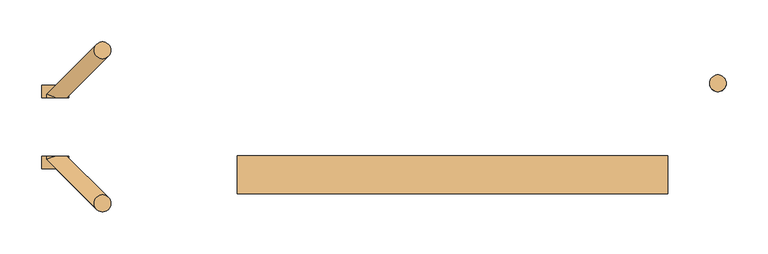
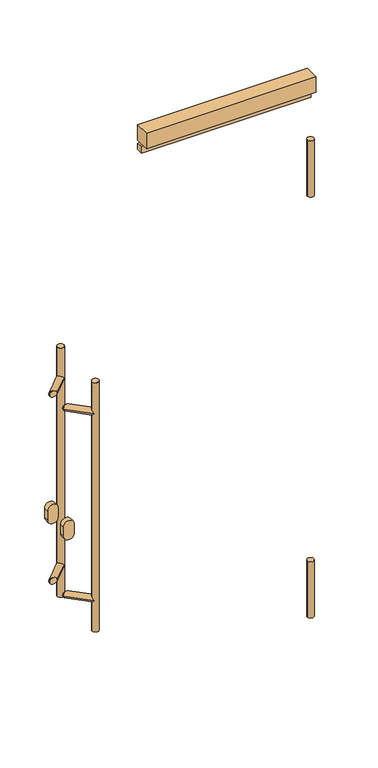
"""IFC4 building model written with IfcOpenShell, lengths in millimetres: door geometry."""

from ifc_helpers import new_model, si_unit, point, frame, frame_2d, origin, place, context, project, spatial, polyline, circle_curve, ellipse_curve, trimmed, segment, composite_curve, outline, extrude, source, transform, mapped, element, save
from ifc_brep_helpers import plane_surface, cylinder_surface, advanced_brep


def door_909c1bb0(model_context):
    return source(origin(), model_context, "Body", "SolidModel", [
        extrude(outline(polyline([(-635.0, -70.0), (-120.0, -70.0), (-120.0, -115.0), (-635.0, -115.0), (-635.0, -70.0)])), frame((0.0, 0.0, 2081.0), z_axis=(0.0, 0.0, 1.0), x_axis=(1.0, 0.0, 0.0)), (0.0, 0.0, 1.0), 50.0),
        extrude(outline(polyline([(-635.0, -70.0), (-120.0, -70.0), (-120.0, -90.0), (-635.0, -90.0), (-635.0, -70.0)])), frame((0.0, 0.0, 2051.0), z_axis=(0.0, 0.0, 1.0), x_axis=(1.0, 0.0, 0.0)), (0.0, 0.0, 1.0), 20.0),
        advanced_brep(
        [(-806.4314575, 56.5685425, 1400.0), (-786.4314575, 56.5685425, 1400.0), (-806.4314575, 56.5685425, 600.0), (-786.4314575, 56.5685425, 600.0), (-806.4314575, 56.5685425, 1307.0710678), (-789.3603897, 49.4974747, 1300.0), (-806.4314575, 56.5685425, 1292.9289322), (-806.4314575, 56.5685425, 707.0710678), (-789.3603897, 49.4974747, 700.0), (-806.4314575, 56.5685425, 692.9289322), (-803.5025253, 63.6396103, 700.0), (-803.5025253, 63.6396103, 1300.0), (-853.0, 0.0, 710.0), (-863.0, 4.1421356, 700.0), (-863.0, 0.0, 700.0), (-853.0, 0.0, 690.0), (-838.8578644, 0.0, 700.0), (-853.0, 0.0, 1310.0), (-863.0, 4.1421356, 1300.0), (-863.0, 0.0, 1300.0), (-853.0, 0.0, 1290.0), (-838.8578644, 0.0, 1300.0)],
        [
            (0, 1, circle_curve(frame((-796.4314575, 56.5685425, 1400.0), z_axis=(0.0, 0.0, 1.0), x_axis=(1.0, 0.0, 0.0)), 10.0)),
            (1, 0, circle_curve(frame((-796.4314575, 56.5685425, 1400.0), z_axis=(0.0, 0.0, 1.0), x_axis=(1.0, 0.0, 0.0)), 10.0)),
            (2, 3, circle_curve(frame((-796.4314575, 56.5685425, 600.0), z_axis=(0.0, 0.0, -1.0), x_axis=(1.0, 0.0, 0.0)), 10.0)),
            (3, 2, circle_curve(frame((-796.4314575, 56.5685425, 600.0), z_axis=(0.0, 0.0, -1.0), x_axis=(1.0, 0.0, 0.0)), 10.0)),
            (0, 4),
            (4, 5, ellipse_curve(frame((-796.4314575, 56.5685425, 1300.0), z_axis=(0.5000000000000111, 0.4999999999999866, 0.707106781186549), x_axis=(-0.5000000000000154, -0.49999999999998657, 0.707106781186546)), 14.1421356, 10.0)),
            (5, 6, ellipse_curve(frame((-796.4314575, 56.5685425, 1300.0), z_axis=(0.5000000000000155, 0.4999999999999866, -0.7071067811865459), x_axis=(0.5000000000000111, 0.4999999999999866, 0.7071067811865491)), 14.1421356, 10.0)),
            (6, 7),
            (7, 8, ellipse_curve(frame((-796.4314575, 56.5685425, 700.0), z_axis=(0.5000000000000111, 0.4999999999999866, 0.707106781186549), x_axis=(-0.5000000000000154, -0.49999999999998657, 0.707106781186546)), 14.1421356, 10.0)),
            (8, 9, ellipse_curve(frame((-796.4314575, 56.5685425, 700.0), z_axis=(0.5000000000000155, 0.4999999999999866, -0.7071067811865459), x_axis=(0.5000000000000111, 0.4999999999999866, 0.7071067811865491)), 14.1421356, 10.0)),
            (9, 2),
            (3, 1),
            (9, 10, ellipse_curve(frame((-796.4314575, 56.5685425, 700.0), z_axis=(0.5000000000000155, 0.4999999999999866, -0.7071067811865459), x_axis=(0.5000000000000111, 0.4999999999999866, 0.7071067811865491)), 14.1421356, 10.0)),
            (10, 7, ellipse_curve(frame((-796.4314575, 56.5685425, 700.0), z_axis=(0.5000000000000111, 0.4999999999999866, 0.707106781186549), x_axis=(-0.5000000000000154, -0.49999999999998657, 0.707106781186546)), 14.1421356, 10.0)),
            (6, 11, ellipse_curve(frame((-796.4314575, 56.5685425, 1300.0), z_axis=(0.5000000000000155, 0.4999999999999866, -0.7071067811865459), x_axis=(0.5000000000000111, 0.4999999999999866, 0.7071067811865491)), 14.1421356, 10.0)),
            (11, 4, ellipse_curve(frame((-796.4314575, 56.5685425, 1300.0), z_axis=(0.5000000000000111, 0.4999999999999866, 0.707106781186549), x_axis=(-0.5000000000000154, -0.49999999999998657, 0.707106781186546)), 14.1421356, 10.0)),
            (12, 13, ellipse_curve(frame((-853.0, 0.0, 700.0), z_axis=(-0.38268343236510205, -0.9238795325112816, 0.0), x_axis=(0.9238795325112815, -0.38268343236510216, 0.0)), 10.823922, 10.0)),
            (13, 14),
            (14, 12, circle_curve(frame((-853.0, 0.0, 700.0), z_axis=(0.0, 1.0, 0.0), x_axis=(-1.0, 0.0, 0.0)), 10.0)),
            (13, 15, ellipse_curve(frame((-853.0, 0.0, 700.0), z_axis=(-0.38268343236510205, -0.9238795325112816, 0.0), x_axis=(0.9238795325112815, -0.38268343236510216, 0.0)), 10.823922, 10.0)),
            (15, 14, circle_curve(frame((-853.0, 0.0, 700.0), z_axis=(0.0, 1.0, 0.0), x_axis=(-1.0, 0.0, 0.0)), 10.0)),
            (10, 13),
            (12, 16, ellipse_curve(frame((-853.0, 0.0, 700.0), z_axis=(0.0, 1.0, 0.0), x_axis=(-1.0, 0.0, 0.0)), 14.1421356, 10.0)),
            (16, 8),
            (16, 15, ellipse_curve(frame((-853.0, 0.0, 700.0), z_axis=(0.0, 1.0, 0.0), x_axis=(-1.0, 0.0, 0.0)), 14.1421356, 10.0)),
            (17, 18, ellipse_curve(frame((-853.0, 0.0, 1300.0), z_axis=(-0.38268343236510205, -0.9238795325112816, 0.0), x_axis=(0.9238795325112815, -0.38268343236510216, 0.0)), 10.823922, 10.0)),
            (18, 19),
            (19, 17, circle_curve(frame((-853.0, 0.0, 1300.0), z_axis=(0.0, 1.0, 0.0), x_axis=(-1.0, 0.0, 0.0)), 10.0)),
            (18, 20, ellipse_curve(frame((-853.0, 0.0, 1300.0), z_axis=(-0.38268343236510205, -0.9238795325112816, 0.0), x_axis=(0.9238795325112815, -0.38268343236510216, 0.0)), 10.823922, 10.0)),
            (20, 19, circle_curve(frame((-853.0, 0.0, 1300.0), z_axis=(0.0, 1.0, 0.0), x_axis=(-1.0, 0.0, 0.0)), 10.0)),
            (11, 18),
            (17, 21, ellipse_curve(frame((-853.0, 0.0, 1300.0), z_axis=(0.0, 1.0, 0.0), x_axis=(-1.0, 0.0, 0.0)), 14.1421356, 10.0)),
            (21, 5),
            (21, 20, ellipse_curve(frame((-853.0, 0.0, 1300.0), z_axis=(0.0, 1.0, 0.0), x_axis=(-1.0, 0.0, 0.0)), 14.1421356, 10.0)),
        ],
        [
            plane_surface(frame((-786.4314575, 56.5685425, 1400.0), z_axis=(0.0, 0.0, 1.0), x_axis=(0.0, 1.0, 0.0))),
            plane_surface(frame((-786.4314575, 56.5685425, 600.0), z_axis=(0.0, 0.0, -1.0), x_axis=(0.0, -1.0, 0.0))),
            cylinder_surface(frame((-796.4314575, 56.5685425, 600.0), z_axis=(0.0, 0.0, 1.0), x_axis=(1.0, 0.0, 0.0)), 10.0),
            cylinder_surface(frame((-853.0, -70.0, 700.0), z_axis=(0.0, -1.0, 0.0), x_axis=(-1.0, 0.0, 0.0)), 10.0),
            cylinder_surface(frame((-853.0, 0.0, 700.0), z_axis=(-0.7071067811865664, -0.7071067811865287, 0.0), x_axis=(-0.7071067811865287, 0.7071067811865664, 0.0)), 10.0),
            cylinder_surface(frame((-853.0, -70.0, 1300.0), z_axis=(0.0, -1.0, 0.0), x_axis=(-1.0, 0.0, 0.0)), 10.0),
            cylinder_surface(frame((-853.0, 0.0, 1300.0), z_axis=(-0.7071067811865664, -0.7071067811865287, 0.0), x_axis=(-0.7071067811865287, 0.7071067811865664, 0.0)), 10.0),
            plane_surface(frame((-883.0, 0.0, 650.0), z_axis=(0.0, -1.0, 0.0), x_axis=(0.0, 0.0, 1.0))),
        ],
        [
            (0, [[1, 2]]),
            (1, [[3, 4]]),
            (2, [[-1, 5, 6, 7, 8, 9, 10, 11, -4, 12]]),
            (2, [[-2, -12, -3, -11, 13, 14, -8, 15, 16, -5]]),
            (3, [[17, 18, 19]]),
            (3, [[-18, 20, 21]]),
            (4, [[22, -17, 23, 24, -9, -14]]),
            (4, [[-22, -13, -10, -24, 25, -20]]),
            (5, [[26, 27, 28]]),
            (5, [[-27, 29, 30]]),
            (6, [[31, -26, 32, 33, -6, -16]]),
            (6, [[-31, -15, -7, -33, 34, -29]]),
            (7, [[-19, -21, -25, -23]]),
            (7, [[-28, -30, -34, -32]]),
        ],
    ),
        advanced_brep(
        [(-806.4314575, -126.5685425, 1400.0), (-786.4314575, -126.5685425, 1400.0), (-806.4314575, -126.5685425, 600.0), (-786.4314575, -126.5685425, 600.0), (-806.4314575, -126.5685425, 1307.0710678), (-803.5025253, -133.6396103, 1300.0), (-806.4314575, -126.5685425, 1292.9289322), (-806.4314575, -126.5685425, 707.0710678), (-803.5025253, -133.6396103, 700.0), (-806.4314575, -126.5685425, 692.9289322), (-789.3603897, -119.4974747, 700.0), (-789.3603897, -119.4974747, 1300.0), (-863.0, -74.1421356, 700.0), (-838.8578644, -70.0, 700.0), (-853.0, -70.0, 710.0), (-853.0, -70.0, 690.0), (-863.0, -70.0, 700.0), (-863.0, -74.1421356, 1300.0), (-838.8578644, -70.0, 1300.0), (-853.0, -70.0, 1310.0), (-853.0, -70.0, 1290.0), (-863.0, -70.0, 1300.0)],
        [
            (0, 1, circle_curve(frame((-796.4314575, -126.5685425, 1400.0), z_axis=(0.0, 0.0, 1.0), x_axis=(1.0, 0.0, 0.0)), 10.0)),
            (1, 0, circle_curve(frame((-796.4314575, -126.5685425, 1400.0), z_axis=(0.0, 0.0, 1.0), x_axis=(1.0, 0.0, 0.0)), 10.0)),
            (2, 3, circle_curve(frame((-796.4314575, -126.5685425, 600.0), z_axis=(0.0, 0.0, -1.0), x_axis=(1.0, 0.0, 0.0)), 10.0)),
            (3, 2, circle_curve(frame((-796.4314575, -126.5685425, 600.0), z_axis=(0.0, 0.0, -1.0), x_axis=(1.0, 0.0, 0.0)), 10.0)),
            (0, 4),
            (4, 5, ellipse_curve(frame((-796.4314575, -126.5685425, 1300.0), z_axis=(0.49999999999996575, -0.5000000000000325, 0.7071067811865487), x_axis=(-0.4999999999999697, 0.500000000000032, 0.7071067811865464)), 14.1421356, 10.0)),
            (5, 6, ellipse_curve(frame((-796.4314575, -126.5685425, 1300.0), z_axis=(0.49999999999996964, -0.500000000000032, -0.7071067811865464), x_axis=(0.49999999999996575, -0.5000000000000325, 0.7071067811865488)), 14.1421356, 10.0)),
            (6, 7),
            (7, 8, ellipse_curve(frame((-796.4314575, -126.5685425, 700.0), z_axis=(0.49999999999996575, -0.5000000000000325, 0.7071067811865487), x_axis=(-0.4999999999999697, 0.500000000000032, 0.7071067811865464)), 14.1421356, 10.0)),
            (8, 9, ellipse_curve(frame((-796.4314575, -126.5685425, 700.0), z_axis=(0.49999999999996964, -0.500000000000032, -0.7071067811865464), x_axis=(0.49999999999996575, -0.5000000000000325, 0.7071067811865488)), 14.1421356, 10.0)),
            (9, 2),
            (3, 1),
            (9, 10, ellipse_curve(frame((-796.4314575, -126.5685425, 700.0), z_axis=(0.49999999999996964, -0.500000000000032, -0.7071067811865464), x_axis=(0.49999999999996575, -0.5000000000000325, 0.7071067811865488)), 14.1421356, 10.0)),
            (10, 7, ellipse_curve(frame((-796.4314575, -126.5685425, 700.0), z_axis=(0.49999999999996575, -0.5000000000000325, 0.7071067811865487), x_axis=(-0.4999999999999697, 0.500000000000032, 0.7071067811865464)), 14.1421356, 10.0)),
            (6, 11, ellipse_curve(frame((-796.4314575, -126.5685425, 1300.0), z_axis=(0.49999999999996964, -0.500000000000032, -0.7071067811865464), x_axis=(0.49999999999996575, -0.5000000000000325, 0.7071067811865488)), 14.1421356, 10.0)),
            (11, 4, ellipse_curve(frame((-796.4314575, -126.5685425, 1300.0), z_axis=(0.49999999999996575, -0.5000000000000325, 0.7071067811865487), x_axis=(-0.4999999999999697, 0.500000000000032, 0.7071067811865464)), 14.1421356, 10.0)),
            (12, 8),
            (10, 13),
            (13, 14, ellipse_curve(frame((-853.0, -70.0, 700.0), z_axis=(0.0, -1.0, 0.0), x_axis=(1.0, 0.0, 0.0)), 14.1421356, 10.0)),
            (14, 12, ellipse_curve(frame((-853.0, -70.0, 700.0), z_axis=(0.38268343236506, -0.9238795325112992, 0.0), x_axis=(0.9238795325112991, 0.38268343236506025, 0.0)), 10.823922, 10.0)),
            (12, 15, ellipse_curve(frame((-853.0, -70.0, 700.0), z_axis=(0.38268343236506, -0.9238795325112992, 0.0), x_axis=(0.9238795325112991, 0.38268343236506025, 0.0)), 10.823922, 10.0)),
            (15, 13, ellipse_curve(frame((-853.0, -70.0, 700.0), z_axis=(0.0, -1.0, 0.0), x_axis=(1.0, 0.0, 0.0)), 14.1421356, 10.0)),
            (14, 16, circle_curve(frame((-853.0, -70.0, 700.0), z_axis=(0.0, -1.0, 0.0), x_axis=(-1.0, 0.0, 0.0)), 10.0)),
            (16, 12),
            (16, 15, circle_curve(frame((-853.0, -70.0, 700.0), z_axis=(0.0, -1.0, 0.0), x_axis=(-1.0, 0.0, 0.0)), 10.0)),
            (17, 5),
            (11, 18),
            (18, 19, ellipse_curve(frame((-853.0, -70.0, 1300.0), z_axis=(0.0, -1.0, 0.0), x_axis=(1.0, 0.0, 0.0)), 14.1421356, 10.0)),
            (19, 17, ellipse_curve(frame((-853.0, -70.0, 1300.0), z_axis=(0.38268343236506, -0.9238795325112992, 0.0), x_axis=(0.9238795325112991, 0.38268343236506025, 0.0)), 10.823922, 10.0)),
            (17, 20, ellipse_curve(frame((-853.0, -70.0, 1300.0), z_axis=(0.38268343236506, -0.9238795325112992, 0.0), x_axis=(0.9238795325112991, 0.38268343236506025, 0.0)), 10.823922, 10.0)),
            (20, 18, ellipse_curve(frame((-853.0, -70.0, 1300.0), z_axis=(0.0, -1.0, 0.0), x_axis=(1.0, 0.0, 0.0)), 14.1421356, 10.0)),
            (19, 21, circle_curve(frame((-853.0, -70.0, 1300.0), z_axis=(0.0, -1.0, 0.0), x_axis=(-1.0, 0.0, 0.0)), 10.0)),
            (21, 17),
            (21, 20, circle_curve(frame((-853.0, -70.0, 1300.0), z_axis=(0.0, -1.0, 0.0), x_axis=(-1.0, 0.0, 0.0)), 10.0)),
        ],
        [
            plane_surface(frame((-786.4314575, 56.5685425, 1400.0), z_axis=(0.0, 0.0, 1.0), x_axis=(0.0, 1.0, 0.0))),
            plane_surface(frame((-786.4314575, 56.5685425, 600.0), z_axis=(0.0, 0.0, -1.0), x_axis=(0.0, -1.0, 0.0))),
            cylinder_surface(frame((-796.4314575, -126.5685425, 1000.0), z_axis=(0.0, 0.0, 1.0), x_axis=(1.0, 0.0, 0.0)), 10.0),
            cylinder_surface(frame((-796.4314575, -126.5685425, 700.0), z_axis=(0.7071067811865018, -0.7071067811865932, 0.0), x_axis=(-0.7071067811865932, -0.7071067811865018, 0.0)), 10.0),
            cylinder_surface(frame((-853.0, -70.0, 700.0), z_axis=(0.0, -1.0, 0.0), x_axis=(-1.0, 0.0, 0.0)), 10.0),
            cylinder_surface(frame((-796.4314575, -126.5685425, 1300.0), z_axis=(0.7071067811865018, -0.7071067811865932, 0.0), x_axis=(-0.7071067811865932, -0.7071067811865018, 0.0)), 10.0),
            cylinder_surface(frame((-853.0, -70.0, 1300.0), z_axis=(0.0, -1.0, 0.0), x_axis=(-1.0, 0.0, 0.0)), 10.0),
            plane_surface(frame((-823.0, -70.0, 650.0), z_axis=(0.0, 1.0, 0.0), x_axis=(0.0, 0.0, 1.0))),
        ],
        [
            (0, [[1, 2]]),
            (1, [[3, 4]]),
            (2, [[-1, 5, 6, 7, 8, 9, 10, 11, -4, 12]]),
            (2, [[-2, -12, -3, -11, 13, 14, -8, 15, 16, -5]]),
            (3, [[17, -9, -14, 18, 19, 20]]),
            (3, [[-17, 21, 22, -18, -13, -10]]),
            (4, [[-20, 23, 24]]),
            (4, [[-21, -24, 25]]),
            (5, [[26, -6, -16, 27, 28, 29]]),
            (5, [[-26, 30, 31, -27, -15, -7]]),
            (6, [[-29, 32, 33]]),
            (6, [[-30, -33, 34]]),
            (7, [[-19, -22, -25, -23]]),
            (7, [[-28, -31, -34, -32]]),
        ],
    ),
        extrude(outline(composite_curve([segment(trimmed(circle_curve(frame_2d((900.0, -853.0)), 16.0), [point((900.0, -869.0))], [point((900.0, -837.0))], False, "CARTESIAN"), True, "CONTINUOUS"), segment(polyline([(900.0, -837.0), (930.0, -837.0)]), True, "CONTINUOUS"), segment(trimmed(circle_curve(frame_2d((930.0, -853.0)), 16.0), [point((930.0, -837.0))], [point((930.0, -869.0))], False, "CARTESIAN"), True, "CONTINUOUS"), segment(polyline([(930.0, -869.0), (900.0, -869.0)]), True, "CONTINUOUS")], self_intersect=False)), frame((0.0, 0.0, 0.0), z_axis=(0.0, 1.0, 0.0), x_axis=(0.0, 0.0, 1.0)), (0.0, 0.0, 1.0), 15.0),
        extrude(outline(composite_curve([segment(polyline([(930.0, -869.0), (900.0, -869.0)]), True, "CONTINUOUS"), segment(trimmed(circle_curve(frame_2d((900.0, -853.0)), 16.0), [point((900.0, -869.0))], [point((900.0, -837.0))], False, "CARTESIAN"), True, "CONTINUOUS"), segment(polyline([(900.0, -837.0), (930.0, -837.0)]), True, "CONTINUOUS"), segment(trimmed(circle_curve(frame_2d((930.0, -853.0)), 16.0), [point((930.0, -837.0))], [point((930.0, -869.0))], False, "CARTESIAN"), True, "CONTINUOUS")], self_intersect=False)), frame((0.0, -85.0, 0.0), z_axis=(0.0, 1.0, 0.0), x_axis=(0.0, 0.0, 1.0)), (0.0, 0.0, 1.0), 15.0),
        extrude(outline(composite_curve([segment(trimmed(circle_curve(frame_2d((-60.0, 17.0)), 10.0), [point((-70.0, 17.0))], [point((-50.0, 17.0))], False, "CARTESIAN"), True, "CONTINUOUS"), segment(trimmed(circle_curve(frame_2d((-60.0, 17.0)), 10.0), [point((-50.0, 17.0))], [point((-70.0, 17.0))], False, "CARTESIAN"), True, "CONTINUOUS")], self_intersect=False)), frame((0.0, 0.0, 1651.0), z_axis=(0.0, 0.0, 1.0), x_axis=(1.0, 0.0, 0.0)), (0.0, 0.0, 1.0), 180.0),
        extrude(outline(composite_curve([segment(trimmed(circle_curve(frame_2d((-60.0, 17.0)), 10.0), [point((-70.0, 17.0))], [point((-50.0, 17.0))], False, "CARTESIAN"), True, "CONTINUOUS"), segment(trimmed(circle_curve(frame_2d((-60.0, 17.0)), 10.0), [point((-50.0, 17.0))], [point((-70.0, 17.0))], False, "CARTESIAN"), True, "CONTINUOUS")], self_intersect=False)), frame((0.0, 0.0, 300.0), z_axis=(0.0, 0.0, 1.0), x_axis=(1.0, 0.0, 0.0)), (0.0, 0.0, 1.0), 180.0),
    ])


if __name__ == "__main__":
    model = new_model("IFC4")
    model_context = context("Model", 3, world=origin())
    ifc_project = project(units=[si_unit("LENGTHUNIT", "METRE", prefix="MILLI")], contexts=[model_context])
    site = spatial("IfcSite", under=ifc_project)
    building = spatial("IfcBuilding", under=site)
    placement = place(None, origin())
    door_shape = door_909c1bb0(model_context)
    element("IfcDoor", 1, at=placement, inside=building, context=model_context, shape_type="MappedRepresentation", body=[
        mapped(door_shape, transform((0.0, 0.0, 0.0), x_axis=(1.0, 0.0, 0.0), y_axis=(0.0, 1.0, 0.0), z_axis=(0.0, 0.0, 1.0))),
    ])
    save(model, "model.ifc")
